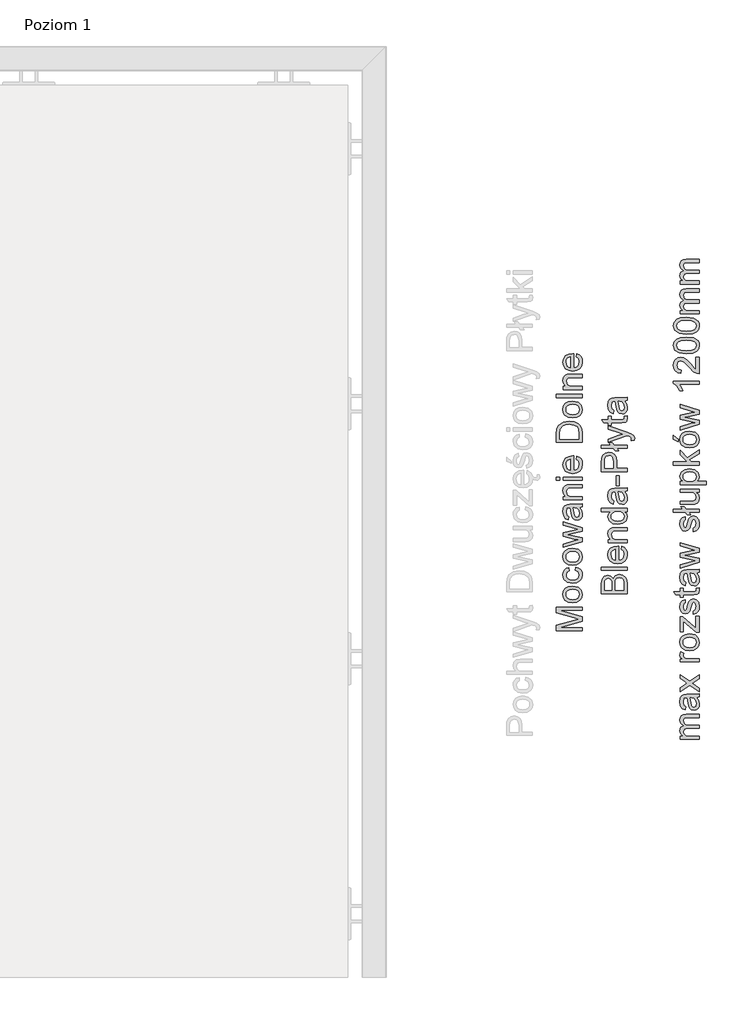
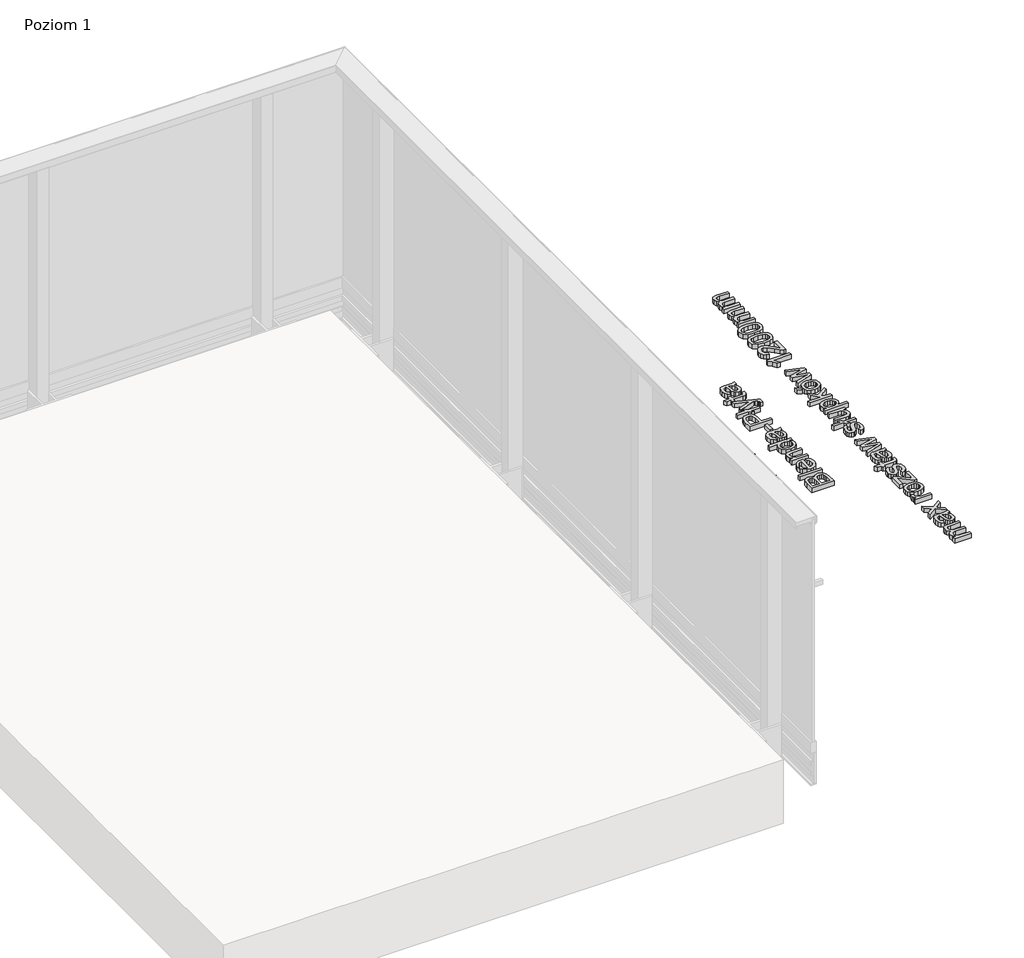
# One storey, part 26 of 35: 3 proxies.
"""IFC4 building model written with IfcOpenShell, lengths in millimetres."""

from ifc_helpers import new_model, si_unit, origin, origin_with_axes, place, context, project, spatial, polyline, outline, extrude, element, save

model = new_model("IFC4")

# Units and contexts
model_context = context("Model", 3, world=origin())
ifc_project = project(units=[si_unit("LENGTHUNIT", "METRE", prefix="MILLI")], contexts=[model_context])

# Site, building, storey
site = spatial("IfcSite", under=ifc_project)
building = spatial("IfcBuilding", under=site)
storey = spatial("IfcBuildingStorey", under=building, Name="Poziom 1", Elevation=0.0)

# Proxies
placement = place(None, origin())
element("IfcBuildingElementProxy", 1, Name="Generic Models", at=placement, inside=storey, context=model_context, shape_type="SweptSolid", body=[
    extrude(outline(polyline([(20311.0111089, -8270.0219111), (20210.5547987, -8270.0219111), (20210.5547987, -8248.4149753), (20281.3598201, -8227.8626345), (20296.1486763, -8223.7178306), (20280.1335468, -8219.2296703), (20210.5547987, -8199.020686), (20210.5547987, -8177.4137502), (20311.0111089, -8177.4137502), (20311.0111089, -8189.970789), (20223.1118375, -8189.970789), (20311.0111089, -8215.2074938), (20311.0111089, -8232.2281675), (20223.1118375, -8257.4648723), (20311.0111089, -8257.4648723), (20311.0111089, -8270.0219111)])), origin_with_axes(), (0.0, 0.0, 1.0), 20.0),
    extrude(outline(polyline([(20274.1248075, -8160.1478219), (20256.337713, -8157.4316265), (20243.8358566, -8149.2830403), (20237.7106214, -8139.2153364), (20235.6688763, -8127.1610696), (20238.1551454, -8113.9694344), (20245.6139529, -8103.432681), (20257.4566874, -8096.5256965), (20273.0947379, -8094.2233683), (20295.4374378, -8098.2945958), (20308.0803157, -8110.1526587), (20312.5807387, -8127.1610696), (20310.1036666, -8140.5121204), (20302.6724503, -8151.0366111), (20290.5813954, -8157.8700192), (20274.1248075, -8160.1478219)]), holes=[polyline([(20274.100282, -8147.5907831), (20285.46477, -8146.1376492), (20293.5612396, -8141.7782476), (20298.4080849, -8135.2176853), (20300.0237, -8127.1610696), (20298.3988878, -8119.1412421), (20293.5244514, -8112.5929426), (20285.3206829, -8108.233541), (20273.7078746, -8106.7804071), (20262.6744804, -8108.242738), (20254.6883754, -8112.6297308), (20249.8415301, -8119.1872274), (20248.225915, -8127.1610696), (20249.8353988, -8135.2176853), (20254.66385, -8141.7782476), (20262.7419254, -8146.1376492), (20274.100282, -8147.5907831)])]), origin_with_axes(), (0.0, 0.0, 1.0), 20.0),
    extrude(outline(polyline([(20284.3274015, -8033.0078043), (20285.8970314, -8020.4507656), (20297.0653156, -8023.9517759), (20305.5051417, -8030.5307322), (20310.8118395, -8039.5683666), (20312.5807387, -8050.4454109), (20310.1128637, -8063.802593), (20302.7092385, -8074.247376), (20290.6948257, -8080.9888136), (20274.3945876, -8083.2359594), (20253.5356785, -8079.3977239), (20240.1325112, -8067.6990765), (20235.6688763, -8050.6170892), (20237.2017179, -8040.0067593), (20241.8002429, -8031.5240136), (20249.2191964, -8025.4386323), (20259.213324, -8022.0203954), (20260.7829538, -8034.5774342), (20251.3774375, -8040.4022324), (20248.225915, -8050.5189873), (20249.7771508, -8058.633851), (20254.430858, -8065.0748516), (20262.4384228, -8069.2779034), (20274.0512311, -8070.6789207), (20285.8203893, -8069.3085602), (20293.8555452, -8065.1974789), (20298.4816613, -8058.8729743), (20300.0237, -8050.8623438), (20296.1732018, -8039.0288063), (20284.3274015, -8033.0078043)])), origin_with_axes(), (0.0, 0.0, 1.0), 20.0),
    extrude(outline(polyline([(20274.1248075, -8012.6026163), (20256.337713, -8009.8864209), (20243.8358566, -8001.7378348), (20237.7106214, -7991.6701308), (20235.6688763, -7979.6158641), (20238.1551454, -7966.4242289), (20245.6139529, -7955.8874754), (20257.4566874, -7948.980491), (20273.0947379, -7946.6781628), (20295.4374378, -7950.7493902), (20308.0803157, -7962.6074532), (20312.5807387, -7979.6158641), (20310.1036666, -7992.9669149), (20302.6724503, -8003.4914056), (20290.5813954, -8010.3248137), (20274.1248075, -8012.6026163)]), holes=[polyline([(20274.100282, -8000.0455776), (20285.46477, -7998.5924437), (20293.5612396, -7994.2330421), (20298.4080849, -7987.6724798), (20300.0237, -7979.6158641), (20298.3988878, -7971.5960366), (20293.5244514, -7965.0477371), (20285.3206829, -7960.6883355), (20273.7078746, -7959.2352016), (20262.6744804, -7960.6975325), (20254.6883754, -7965.0845253), (20249.8415301, -7971.6420219), (20248.225915, -7979.6158641), (20249.8353988, -7987.6724798), (20254.66385, -7994.2330421), (20262.7419254, -7998.5924437), (20274.100282, -8000.0455776)])]), origin_with_axes(), (0.0, 0.0, 1.0), 20.0),
    extrude(outline(polyline([(20311.0111089, -7920.3132865), (20237.2385061, -7942.7540882), (20237.2385061, -7929.7065401), (20280.2806996, -7916.9778231), (20295.658167, -7913.1763758), (20280.8447853, -7910.0616416), (20237.2385061, -7899.932624), (20237.2385061, -7884.9720895), (20280.722158, -7874.8921228), (20294.137588, -7872.1207451), (20279.986394, -7868.1476196), (20237.2385061, -7855.3943771), (20237.2385061, -7842.297778), (20311.0111089, -7864.910258), (20311.0111089, -7880.0915217), (20267.7481863, -7889.73003), (20254.2591798, -7892.5259331), (20311.0111089, -7904.9603446), (20311.0111089, -7920.3132865)])), origin_with_axes(), (0.0, 0.0, 1.0), 20.0),
    extrude(outline(polyline([(20301.5933298, -7786.5759185), (20310.1036666, -7798.7528126), (20312.5807387, -7812.2050308), (20311.0908167, -7822.6988648), (20306.6210504, -7830.4397151), (20299.8336276, -7835.212984), (20291.3907358, -7836.8040736), (20281.4579219, -7834.4005779), (20274.2474348, -7828.0852703), (20270.1271565, -7819.2928906), (20268.2386956, -7808.428109), (20263.9222135, -7786.6494949), (20261.1263103, -7786.5759185), (20251.8556841, -7790.0340093), (20248.225915, -7803.9154232), (20250.6416735, -7816.6196148), (20259.213324, -7822.677405), (20257.6436941, -7835.2344437), (20245.380961, -7829.8020529), (20238.1949993, -7818.863695), (20235.6688763, -7802.2967424), (20237.9006937, -7787.0786906), (20243.5047628, -7778.4825146), (20252.0273623, -7774.6320164), (20263.0147713, -7774.0188797), (20278.6374933, -7774.0188797), (20300.4528956, -7773.3812176), (20311.0111089, -7770.87962), (20311.0111089, -7783.4366588), (20301.5933298, -7786.5759185)]), holes=[polyline([(20276.4792523, -7786.5759185), (20280.3297505, -7806.8339537), (20282.3653642, -7817.6374216), (20285.6763022, -7822.5302522), (20290.507819, -7824.2470348), (20297.3013732, -7820.5069012), (20300.0237, -7809.531755), (20297.0193303, -7796.8275634), (20289.7475296, -7788.6360577), (20280.0354449, -7786.6494949), (20276.4792523, -7786.5759185)])]), origin_with_axes(), (0.0, 0.0, 1.0), 20.0),
    extrude(outline(polyline([(20311.0111089, -7756.7529514), (20237.2385061, -7756.7529514), (20237.2385061, -7744.1959127), (20247.539202, -7744.1959127), (20238.6364577, -7734.5941926), (20235.6688763, -7721.4853308), (20238.0601092, -7709.6272679), (20244.3386286, -7701.533864), (20253.5724667, -7697.7692049), (20265.7125726, -7697.1070173), (20311.0111089, -7697.1070173), (20311.0111089, -7709.6640561), (20267.4048297, -7709.6640561), (20256.2947935, -7711.1110586), (20250.4209443, -7716.2246183), (20248.225915, -7724.8453197), (20253.1555338, -7738.4692163), (20260.2985759, -7742.7642386), (20271.8684646, -7744.1959127), (20311.0111089, -7744.1959127), (20311.0111089, -7756.7529514)])), origin_with_axes(), (0.0, 0.0, 1.0), 20.0),
    extrude(outline(polyline([(20223.1118375, -7679.841089), (20210.5547987, -7679.841089), (20210.5547987, -7667.2840502), (20223.1118375, -7667.2840502), (20223.1118375, -7679.841089)])), origin_with_axes(), (0.0, 0.0, 1.0), 20.0),
    extrude(outline(polyline([(20311.0111089, -7679.841089), (20237.2385061, -7679.841089), (20237.2385061, -7667.2840502), (20311.0111089, -7667.2840502), (20311.0111089, -7679.841089)])), origin_with_axes(), (0.0, 0.0, 1.0), 20.0),
    extrude(outline(polyline([(20289.036291, -7596.7978599), (20290.6059209, -7584.4860758), (20299.8826785, -7588.9221196), (20306.8172541, -7596.0007823), (20311.1398676, -7605.5626485), (20312.5807387, -7617.4483026), (20310.0944696, -7632.1819765), (20302.6356621, -7643.5188733), (20290.6886943, -7650.7477545), (20274.7379442, -7653.1573816), (20258.2506994, -7650.7232291), (20245.9205212, -7643.4207715), (20238.2317875, -7632.2371588), (20235.6688763, -7618.1595411), (20238.2256561, -7604.5203161), (20245.8959957, -7593.621812), (20258.2016485, -7586.4757043), (20274.6643678, -7584.0936684), (20278.0488821, -7584.1672448), (20278.0488821, -7640.6003428), (20287.4482671, -7638.4267734), (20294.3583172, -7633.377593), (20298.6073543, -7626.0904638), (20300.0237, -7617.2030479), (20297.3994751, -7604.8912638), (20289.036291, -7596.7978599)]), holes=[polyline([(20265.4918434, -7640.6003428), (20265.4918434, -7596.6507071), (20254.112027, -7601.6784277), (20249.697443, -7608.9992794), (20248.225915, -7618.2085921), (20252.9225419, -7633.6718986), (20258.4131806, -7638.537138), (20265.4918434, -7640.6003428)])]), origin_with_axes(), (0.0, 0.0, 1.0), 20.0),
    extrude(outline(polyline([(20311.0111089, -7530.7262536), (20210.5547987, -7530.7262536), (20210.5547987, -7496.0717697), (20212.0018013, -7478.1436538), (20219.1877629, -7463.379323), (20236.3555893, -7451.4844718), (20260.2433936, -7447.5358718), (20280.5136915, -7450.2091476), (20295.1431322, -7457.0762782), (20304.2543429, -7466.2488026), (20309.2943262, -7478.2540184), (20311.0111089, -7494.4040379), (20311.0111089, -7530.7262536)]), holes=[polyline([(20298.4540701, -7518.1692148), (20298.4540701, -7495.9491423), (20296.6391856, -7479.78686), (20291.5133631, -7470.4671828), (20279.0421635, -7462.8275), (20260.0471898, -7460.0929105), (20246.3619796, -7461.4326141), (20236.2574875, -7465.4517249), (20225.1229257, -7478.4870103), (20223.1118375, -7496.2924988), (20223.1118375, -7518.1692148), (20298.4540701, -7518.1692148)])]), origin_with_axes(), (0.0, 0.0, 1.0), 20.0),
    extrude(outline(polyline([(20274.1248075, -7434.978833), (20256.337713, -7432.2626376), (20243.8358566, -7424.1140514), (20237.7106214, -7414.0463475), (20235.6688763, -7401.9920808), (20238.1551454, -7388.8004455), (20245.6139529, -7378.2636921), (20257.4566874, -7371.3567076), (20273.0947379, -7369.0543795), (20295.4374378, -7373.1256069), (20308.0803157, -7384.9836698), (20312.5807387, -7401.9920808), (20310.1036666, -7415.3431315), (20302.6724503, -7425.8676222), (20290.5813954, -7432.7010303), (20274.1248075, -7434.978833)]), holes=[polyline([(20274.100282, -7422.4217942), (20285.46477, -7420.9686603), (20293.5612396, -7416.6092587), (20298.4080849, -7410.0486964), (20300.0237, -7401.9920808), (20298.3988878, -7393.9722533), (20293.5244514, -7387.4239537), (20285.3206829, -7383.0645521), (20273.7078746, -7381.6114182), (20262.6744804, -7383.0737492), (20254.6883754, -7387.4607419), (20249.8415301, -7394.0182385), (20248.225915, -7401.9920808), (20249.8353988, -7410.0486964), (20254.66385, -7416.6092587), (20262.7419254, -7420.9686603), (20274.100282, -7422.4217942)])]), origin_with_axes(), (0.0, 0.0, 1.0), 20.0),
    extrude(outline(polyline([(20311.0111089, -7354.9277108), (20210.5547987, -7354.9277108), (20210.5547987, -7342.3706721), (20311.0111089, -7342.3706721), (20311.0111089, -7354.9277108)])), origin_with_axes(), (0.0, 0.0, 1.0), 20.0),
    extrude(outline(polyline([(20311.0111089, -7323.5351139), (20237.2385061, -7323.5351139), (20237.2385061, -7310.9780751), (20247.539202, -7310.9780751), (20238.6364577, -7301.3763551), (20235.6688763, -7288.2674933), (20238.0601092, -7276.4094303), (20244.3386286, -7268.3160264), (20253.5724667, -7264.5513674), (20265.7125726, -7263.8891798), (20311.0111089, -7263.8891798), (20311.0111089, -7276.4462185), (20267.4048297, -7276.4462185), (20256.2947935, -7277.893221), (20250.4209443, -7283.0067808), (20248.225915, -7291.6274822), (20253.1555338, -7305.2513788), (20260.2985759, -7309.546401), (20271.8684646, -7310.9780751), (20311.0111089, -7310.9780751), (20311.0111089, -7323.5351139)])), origin_with_axes(), (0.0, 0.0, 1.0), 20.0),
    extrude(outline(polyline([(20289.036291, -7194.9726193), (20290.6059209, -7182.6608352), (20299.8826785, -7187.096879), (20306.8172541, -7194.1755417), (20311.1398676, -7203.7374079), (20312.5807387, -7215.623062), (20310.0944696, -7230.3567359), (20302.6356621, -7241.6936327), (20290.6886943, -7248.9225139), (20274.7379442, -7251.332141), (20258.2506994, -7248.8979885), (20245.9205212, -7241.5955309), (20238.2317875, -7230.4119182), (20235.6688763, -7216.3343005), (20238.2256561, -7202.6950755), (20245.8959957, -7191.7965714), (20258.2016485, -7184.6504637), (20274.6643678, -7182.2684278), (20278.0488821, -7182.3420042), (20278.0488821, -7238.7751022), (20287.4482671, -7236.6015328), (20294.3583172, -7231.5523524), (20298.6073543, -7224.2652232), (20300.0237, -7215.3778073), (20297.3994751, -7203.0660232), (20289.036291, -7194.9726193)]), holes=[polyline([(20265.4918434, -7238.7751022), (20265.4918434, -7194.8254665), (20254.112027, -7199.8531871), (20249.697443, -7207.1740388), (20248.225915, -7216.3833515), (20252.9225419, -7231.846658), (20258.4131806, -7236.7118974), (20265.4918434, -7238.7751022)])]), origin_with_axes(), (0.0, 0.0, 1.0), 20.0),
])
element("IfcBuildingElementProxy", 2, Name="Generic Models", at=placement, inside=storey, context=model_context, shape_type="SweptSolid", body=[
    extrude(outline(polyline([(20487.3598268, -8124.2917723), (20386.9035167, -8124.2917723), (20386.9035167, -8085.9584684), (20389.8588354, -8067.184224), (20398.9455207, -8056.0987132), (20411.796865, -8052.0887994), (20423.5323007, -8055.461051), (20432.4227822, -8065.6513823), (20441.7915104, -8053.2782845), (20457.4142324, -8048.9495397), (20470.9155017, -8051.9048584), (20480.5294845, -8059.2257101), (20485.6307815, -8070.1518054), (20487.3598268, -8086.252774), (20487.3598268, -8124.2917723)]), holes=[polyline([(20427.7138927, -8111.7347336), (20427.7138927, -8088.8034225), (20426.6347722, -8075.4125179), (20421.9871963, -8067.3559022), (20413.8079533, -8064.6458382), (20405.6164475, -8067.1719612), (20400.7726679, -8074.4069738), (20399.4605555, -8090.5447307), (20399.4605555, -8111.7347336), (20427.7138927, -8111.7347336)]), polyline([(20474.8027881, -8111.7347336), (20474.8027881, -8085.9829939), (20474.3122788, -8076.6633167), (20471.5776893, -8068.7783793), (20465.9981457, -8063.5544549), (20457.5368598, -8061.5065785), (20447.7757242, -8063.9100742), (20441.9509259, -8071.6969098), (20440.2709315, -8087.2092672), (20440.2709315, -8111.7347336), (20474.8027881, -8111.7347336)])]), origin_with_axes(), (0.0, 0.0, 1.0), 20.0),
    extrude(outline(polyline([(20487.3598268, -8033.2532413), (20386.9035167, -8033.2532413), (20386.9035167, -8020.6962025), (20487.3598268, -8020.6962025), (20487.3598268, -8033.2532413)])), origin_with_axes(), (0.0, 0.0, 1.0), 20.0),
    extrude(outline(polyline([(20465.385009, -7950.2100122), (20466.9546388, -7937.8982281), (20476.2313965, -7942.3342718), (20483.1659721, -7949.4129346), (20487.4885855, -7958.9748008), (20488.9294567, -7970.8604549), (20486.4431875, -7985.5941288), (20478.9843801, -7996.9310256), (20467.0374123, -8004.1599068), (20451.0866621, -8006.5695339), (20434.5994174, -8004.1353814), (20422.2692392, -7996.8329237), (20414.5805055, -7985.6493111), (20412.0175942, -7971.5716934), (20414.5743741, -7957.9324684), (20422.2447137, -7947.0339643), (20434.5503664, -7939.8878566), (20451.0130857, -7937.5058207), (20454.3976001, -7937.5793971), (20454.3976001, -7994.0124951), (20463.7969851, -7991.8389257), (20470.7070352, -7986.7897453), (20474.9560722, -7979.5026161), (20476.3724179, -7970.6152002), (20473.748193, -7958.3034161), (20465.385009, -7950.2100122)]), holes=[polyline([(20441.8405613, -7994.0124951), (20441.8405613, -7950.0628594), (20430.4607449, -7955.09058), (20426.046161, -7962.4114317), (20424.574633, -7971.6207443), (20429.2712598, -7987.0840509), (20434.7618986, -7991.9492903), (20441.8405613, -7994.0124951)])]), origin_with_axes(), (0.0, 0.0, 1.0), 20.0),
    extrude(outline(polyline([(20487.3598268, -7924.9487819), (20413.5872241, -7924.9487819), (20413.5872241, -7912.3917431), (20423.8879199, -7912.3917431), (20414.9851757, -7902.790023), (20412.0175942, -7889.6811613), (20414.4088272, -7877.8230983), (20420.6873466, -7869.7296944), (20429.9211847, -7865.9650353), (20442.0612905, -7865.3028477), (20487.3598268, -7865.3028477), (20487.3598268, -7877.8598865), (20443.7535477, -7877.8598865), (20432.6435114, -7879.306889), (20426.7696622, -7884.4204488), (20424.574633, -7893.0411502), (20429.5042517, -7906.6650467), (20436.6472938, -7910.960069), (20448.2171826, -7912.3917431), (20487.3598268, -7912.3917431), (20487.3598268, -7924.9487819)])), origin_with_axes(), (0.0, 0.0, 1.0), 20.0),
    extrude(outline(polyline([(20487.3598268, -7802.5176539), (20475.5140266, -7802.5176539), (20485.5755992, -7810.8256556), (20488.9294567, -7822.3097052), (20484.0734144, -7837.8588509), (20470.5230942, -7848.8462598), (20450.5471019, -7852.745809), (20430.5588468, -7849.1528282), (20416.8000602, -7838.3861484), (20412.0175942, -7822.3587562), (20415.4388968, -7810.7827361), (20424.3293783, -7802.5176539), (20386.9035167, -7802.5176539), (20386.9035167, -7789.9606151), (20487.3598268, -7789.9606151), (20487.3598268, -7802.5176539)]), holes=[polyline([(20450.4980509, -7840.1887702), (20461.8564075, -7838.7724245), (20469.934483, -7834.5233875), (20474.7629342, -7828.3491013), (20476.3724179, -7821.1570083), (20474.8365106, -7813.967981), (20470.2287886, -7807.9500447), (20462.4634128, -7803.8757516), (20451.4545441, -7802.5176539), (20439.4186715, -7803.9002771), (20431.0738816, -7808.0481466), (20426.1994452, -7814.219367), (20424.574633, -7821.6720431), (20426.1350658, -7828.9377125), (20430.8163642, -7834.8912695), (20438.8576515, -7838.864395), (20450.4980509, -7840.1887702)])]), origin_with_axes(), (0.0, 0.0, 1.0), 20.0),
    extrude(outline(polyline([(20477.9420478, -7724.0361616), (20486.4523846, -7736.2130556), (20488.9294567, -7749.6652739), (20487.4395346, -7760.1591078), (20482.9697684, -7767.8999581), (20476.1823456, -7772.673227), (20467.7394538, -7774.2643167), (20457.8066399, -7771.860821), (20450.5961528, -7765.5455134), (20446.4758745, -7756.7531337), (20444.5874135, -7745.8883521), (20440.2709315, -7724.109738), (20437.4750283, -7724.0361616), (20428.204402, -7727.4942523), (20424.574633, -7741.3756663), (20426.9903914, -7754.0798579), (20435.5620419, -7760.1376481), (20433.9924121, -7772.6946868), (20421.7296789, -7767.262296), (20414.5437173, -7756.323938), (20412.0175942, -7739.7569855), (20414.2494117, -7724.5389337), (20419.8534807, -7715.9427577), (20428.3760803, -7712.0922595), (20439.3634892, -7711.4791228), (20454.9862113, -7711.4791228), (20476.8016136, -7710.8414607), (20487.3598268, -7708.3398631), (20487.3598268, -7720.8969019), (20477.9420478, -7724.0361616)]), holes=[polyline([(20452.8279702, -7724.0361616), (20456.6784685, -7744.2941968), (20458.7140822, -7755.0976647), (20462.0250201, -7759.9904953), (20466.856537, -7761.7072779), (20473.6500912, -7757.9671443), (20476.3724179, -7746.9919981), (20473.3680483, -7734.2878065), (20466.0962475, -7726.0963008), (20456.3841629, -7724.109738), (20452.8279702, -7724.0361616)])]), origin_with_axes(), (0.0, 0.0, 1.0), 20.0),
    extrude(outline(polyline([(20457.5368598, -7700.4917139), (20444.979821, -7700.4917139), (20444.979821, -7661.2509677), (20457.5368598, -7661.2509677), (20457.5368598, -7700.4917139)])), origin_with_axes(), (0.0, 0.0, 1.0), 20.0),
    extrude(outline(polyline([(20487.3598268, -7645.5546693), (20386.9035167, -7645.5546693), (20386.9035167, -7608.3250114), (20387.8600099, -7593.315426), (20392.5566367, -7581.1140065), (20402.2687214, -7573.2045436), (20415.9661943, -7570.2124367), (20427.8058632, -7572.232722), (20437.671232, -7578.2935778), (20444.3298961, -7589.627409), (20446.5494509, -7607.4666201), (20446.5494509, -7632.9976305), (20487.3598268, -7632.9976305), (20487.3598268, -7645.5546693)]), holes=[polyline([(20433.9924121, -7632.9976305), (20433.9924121, -7606.7308561), (20429.3816244, -7588.2386544), (20423.8327376, -7584.1367702), (20416.4076527, -7582.7694754), (20406.008855, -7585.9945743), (20400.3189468, -7594.4681229), (20399.4605555, -7607.0251617), (20399.4605555, -7632.9976305), (20433.9924121, -7632.9976305)])]), origin_with_axes(), (0.0, 0.0, 1.0), 20.0),
    extrude(outline(polyline([(20447.6530968, -7554.5161382), (20455.182415, -7563.9339173), (20441.0557464, -7563.9339173), (20433.5264282, -7554.5161382), (20386.9035167, -7554.5161382), (20386.9035167, -7541.9590994), (20423.470987, -7541.9590994), (20415.9416689, -7532.5413204), (20430.0683375, -7532.5413204), (20437.5976556, -7541.9590994), (20487.3598268, -7541.9590994), (20487.3598268, -7554.5161382), (20447.6530968, -7554.5161382)])), origin_with_axes(), (0.0, 0.0, 1.0), 20.0),
    extrude(outline(polyline([(20515.6131641, -7523.1235413), (20503.5221092, -7524.6931711), (20504.6257552, -7518.3165499), (20503.2400663, -7512.3568616), (20499.3773054, -7508.7025671), (20490.1312045, -7505.2690018), (20487.0900467, -7504.2879831), (20413.5872241, -7530.9716905), (20413.5872241, -7517.7279387), (20454.5447529, -7503.5767446), (20470.9277644, -7498.6471259), (20456.4577393, -7493.7175071), (20413.5872241, -7479.1739056), (20413.5872241, -7466.0282556), (20489.1256604, -7491.7064189), (20505.5086719, -7498.3773458), (20514.3623653, -7505.6614093), (20517.1827939, -7515.4470703), (20515.6131641, -7523.1235413)])), origin_with_axes(), (0.0, 0.0, 1.0), 20.0),
    extrude(outline(polyline([(20476.8874527, -7428.9457505), (20487.7277088, -7427.3761207), (20488.9294567, -7436.7693743), (20486.8447921, -7447.2907994), (20481.3756131, -7452.5392492), (20467.1263171, -7454.0598281), (20426.1442629, -7454.0598281), (20426.1442629, -7463.4776071), (20413.5872241, -7463.4776071), (20413.5872241, -7454.0598281), (20395.6591082, -7454.0598281), (20388.2769428, -7441.5027893), (20413.5872241, -7441.5027893), (20413.5872241, -7428.9457505), (20426.1442629, -7428.9457505), (20426.1442629, -7441.5027893), (20466.7584351, -7441.5027893), (20473.2331582, -7440.8406017), (20475.5262893, -7438.6946234), (20476.3724179, -7434.4149295), (20476.8874527, -7428.9457505)])), origin_with_axes(), (0.0, 0.0, 1.0), 20.0),
    extrude(outline(polyline([(20477.9420478, -7369.2998164), (20486.4523846, -7381.4767104), (20488.9294567, -7394.9289287), (20487.4395346, -7405.4227626), (20482.9697684, -7413.1636129), (20476.1823456, -7417.9368818), (20467.7394538, -7419.5279715), (20457.8066399, -7417.1244757), (20450.5961528, -7410.8091682), (20446.4758745, -7402.0167885), (20444.5874135, -7391.1520069), (20440.2709315, -7369.3733928), (20437.4750283, -7369.2998164), (20428.204402, -7372.7579071), (20424.574633, -7386.6393211), (20426.9903914, -7399.3435126), (20435.5620419, -7405.4013028), (20433.9924121, -7417.9583416), (20421.7296789, -7412.5259508), (20414.5437173, -7401.5875928), (20412.0175942, -7385.0206403), (20414.2494117, -7369.8025884), (20419.8534807, -7361.2064125), (20428.3760803, -7357.3559143), (20439.3634892, -7356.7427776), (20454.9862113, -7356.7427776), (20476.8016136, -7356.1051155), (20487.3598268, -7353.6035179), (20487.3598268, -7366.1605567), (20477.9420478, -7369.2998164)]), holes=[polyline([(20452.8279702, -7369.2998164), (20456.6784685, -7389.5578516), (20458.7140822, -7400.3613195), (20462.0250201, -7405.25415), (20466.856537, -7406.9709327), (20473.6500912, -7403.2307991), (20476.3724179, -7392.2556529), (20473.3680483, -7379.5514613), (20466.0962475, -7371.3599555), (20456.3841629, -7369.3733928), (20452.8279702, -7369.2998164)])]), origin_with_axes(), (0.0, 0.0, 1.0), 20.0),
])
element("IfcBuildingElementProxy", 3, Name="Generic Models", at=placement, inside=storey, context=model_context, shape_type="SweptSolid", body=[
    extrude(outline(polyline([(20769.7173752, -8695.0976583), (20695.9447724, -8695.0976583), (20695.9447724, -8682.5406196), (20708.0848783, -8682.5406196), (20698.1398017, -8673.9076554), (20694.3751426, -8661.6203968), (20698.2133781, -8649.0388325), (20708.9677951, -8642.122651), (20698.0233057, -8632.3247272), (20694.3751426, -8619.9516294), (20695.8926558, -8610.5123906), (20700.4451955, -8603.5318297), (20708.155389, -8599.2184133), (20719.1458636, -8597.7806079), (20769.7173752, -8597.7806079), (20769.7173752, -8610.3376466), (20724.5414662, -8610.3376466), (20714.0568293, -8611.5026063), (20708.8942187, -8615.7209865), (20706.9321813, -8622.8946854), (20711.959902, -8635.2432577), (20718.5020701, -8638.9312747), (20728.0731333, -8640.1606137), (20769.7173752, -8640.1606137), (20769.7173752, -8652.7176525), (20723.1435146, -8652.7176525), (20710.9788833, -8655.6239202), (20706.9321813, -8665.1520639), (20709.6299826, -8674.4472157), (20717.5271828, -8680.6276332), (20732.5122427, -8682.5406196), (20769.7173752, -8682.5406196), (20769.7173752, -8695.0976583)])), origin_with_axes(), (0.0, 0.0, 1.0), 20.0),
    extrude(outline(polyline([(20760.2995961, -8531.8561543), (20768.8099329, -8544.0330484), (20771.287005, -8557.4852667), (20769.797083, -8567.9791006), (20765.3273167, -8575.7199509), (20758.5398939, -8580.4932198), (20750.0970021, -8582.0843094), (20740.1641882, -8579.6808137), (20732.9537011, -8573.3655061), (20728.8334228, -8564.5731264), (20726.9449619, -8553.7083448), (20722.6284798, -8531.9297307), (20719.8325766, -8531.8561543), (20710.5619504, -8535.3142451), (20706.9321813, -8549.195659), (20709.3479398, -8561.8998506), (20717.9195903, -8567.9576408), (20716.3499604, -8580.5146796), (20704.0872273, -8575.0822888), (20696.9012656, -8564.1439308), (20694.3751426, -8547.5769783), (20696.60696, -8532.3589264), (20702.2110291, -8523.7627504), (20710.7336286, -8519.9122522), (20721.7210376, -8519.2991156), (20737.3437596, -8519.2991156), (20759.1591619, -8518.6614534), (20769.7173752, -8516.1598559), (20769.7173752, -8528.7168946), (20760.2995961, -8531.8561543)]), holes=[polyline([(20735.1855186, -8531.8561543), (20739.0360168, -8552.1141895), (20741.0716305, -8562.9176575), (20744.3825685, -8567.810488), (20749.2140853, -8569.5272706), (20756.0076395, -8565.787137), (20758.7299663, -8554.8119908), (20755.7255966, -8542.1077993), (20748.4537959, -8533.9162935), (20738.7417112, -8531.9297307), (20735.1855186, -8531.8561543)])]), origin_with_axes(), (0.0, 0.0, 1.0), 20.0),
    extrude(outline(polyline([(20769.7173752, -8509.8813365), (20732.6348701, -8483.0504763), (20695.9447724, -8508.3117066), (20695.9447724, -8493.2040194), (20713.6031082, -8481.0148626), (20721.9417668, -8475.3249544), (20715.1236871, -8470.3953357), (20695.9447724, -8456.5139217), (20695.9447724, -8441.4062344), (20732.6348701, -8467.942789), (20769.7173752, -8442.3872531), (20769.7173752, -8457.4949404), (20747.4237263, -8472.8724078), (20743.3524989, -8475.6928364), (20769.7173752, -8494.7736492), (20769.7173752, -8509.8813365)])), origin_with_axes(), (0.0, 0.0, 1.0), 20.0),
    extrude(outline(polyline([(20769.7173752, -8392.159098), (20695.9447724, -8392.159098), (20695.9447724, -8381.1716891), (20706.858605, -8381.1716891), (20696.8031637, -8373.3725908), (20694.3751426, -8365.5244416), (20698.2501663, -8352.9183519), (20709.5073553, -8357.1122066), (20706.9321813, -8365.9413745), (20709.4092535, -8373.041497), (20716.276384, -8377.5664456), (20730.9426129, -8379.6020593), (20769.7173752, -8379.6020593), (20769.7173752, -8392.159098)])), origin_with_axes(), (0.0, 0.0, 1.0), 20.0),
    extrude(outline(polyline([(20732.8310738, -8348.2094623), (20715.0439793, -8345.4932669), (20702.5421229, -8337.3446807), (20696.4168877, -8327.2769768), (20694.3751426, -8315.2227101), (20696.8614117, -8302.0310749), (20704.3202192, -8291.4943214), (20716.1629537, -8284.587337), (20731.8010042, -8282.2850088), (20754.1437041, -8286.3562362), (20766.786582, -8298.2142992), (20771.287005, -8315.2227101), (20768.8099329, -8328.5737608), (20761.3787166, -8339.0982516), (20749.2876617, -8345.9316596), (20732.8310738, -8348.2094623)]), holes=[polyline([(20732.8065483, -8335.6524236), (20744.1710363, -8334.1992897), (20752.2675059, -8329.839888), (20757.1143512, -8323.2793258), (20758.7299663, -8315.2227101), (20757.1051541, -8307.2028826), (20752.2307177, -8300.6545831), (20744.0269492, -8296.2951815), (20732.4141409, -8294.8420476), (20721.3807467, -8296.3043785), (20713.3946417, -8300.6913713), (20708.5477964, -8307.2488679), (20706.9321813, -8315.2227101), (20708.5416651, -8323.2793258), (20713.3701163, -8329.839888), (20721.4481917, -8334.1992897), (20732.8065483, -8335.6524236)])]), origin_with_axes(), (0.0, 0.0, 1.0), 20.0),
    extrude(outline(polyline([(20769.7173752, -8276.0064894), (20757.8961004, -8276.0064894), (20708.5018112, -8232.6699904), (20708.5018112, -8245.4968093), (20708.5018112, -8272.8672297), (20695.9447724, -8272.8672297), (20695.9447724, -8214.7909254), (20706.6133503, -8214.7909254), (20750.4403586, -8253.2223312), (20757.1603364, -8259.1084431), (20757.1603364, -8244.589367), (20757.1603364, -8213.2212956), (20769.7173752, -8213.2212956), (20769.7173752, -8276.0064894)])), origin_with_axes(), (0.0, 0.0, 1.0), 20.0),
    extrude(outline(polyline([(20747.7425573, -8205.3731463), (20746.1729275, -8192.8161076), (20755.4926047, -8187.003572), (20758.7299663, -8173.6862438), (20755.7623848, -8160.8839504), (20748.7971524, -8156.7146211), (20743.1562951, -8160.9084759), (20739.5755771, -8173.8333966), (20733.4319477, -8192.7425312), (20726.2582488, -8200.9953506), (20716.1292312, -8203.8035165), (20706.7727658, -8201.5471736), (20699.6235924, -8195.3912815), (20695.9079842, -8187.4082422), (20694.3751426, -8176.6047743), (20696.8399519, -8161.3254088), (20703.5108788, -8151.6133241), (20714.7803306, -8147.296842), (20716.3499604, -8159.8538808), (20709.4215162, -8164.5750331), (20706.9321813, -8175.6237557), (20709.3111516, -8187.6412342), (20714.853907, -8191.2464777), (20718.5082015, -8189.7504243), (20721.2795792, -8185.0660602), (20723.952855, -8174.2503296), (20729.8634924, -8155.8194416), (20736.5589447, -8147.2600538), (20747.4727772, -8144.1575823), (20759.4902557, -8147.7996141), (20768.209059, -8158.3087764), (20771.287005, -8173.8579221), (20769.8032143, -8186.5191941), (20765.3518422, -8195.7591635), (20757.9819395, -8201.9273183), (20747.7425573, -8205.3731463)])), origin_with_axes(), (0.0, 0.0, 1.0), 20.0),
    extrude(outline(polyline([(20759.2450011, -8103.3472063), (20770.0852572, -8101.7775765), (20771.287005, -8111.1708301), (20769.2023404, -8121.6922552), (20763.7331614, -8126.940705), (20749.4838655, -8128.4612839), (20708.5018112, -8128.4612839), (20708.5018112, -8137.879063), (20695.9447724, -8137.879063), (20695.9447724, -8128.4612839), (20678.0166565, -8128.4612839), (20670.6344912, -8115.9042451), (20695.9447724, -8115.9042451), (20695.9447724, -8103.3472063), (20708.5018112, -8103.3472063), (20708.5018112, -8115.9042451), (20749.1159835, -8115.9042451), (20755.5907066, -8115.2420575), (20757.8838377, -8113.0960792), (20758.7299663, -8108.8163853), (20759.2450011, -8103.3472063)])), origin_with_axes(), (0.0, 0.0, 1.0), 20.0),
    extrude(outline(polyline([(20760.2995961, -8043.7012722), (20768.8099329, -8055.8781662), (20771.287005, -8069.3303845), (20769.797083, -8079.8242184), (20765.3273167, -8087.5650688), (20758.5398939, -8092.3383376), (20750.0970021, -8093.9294273), (20740.1641882, -8091.5259316), (20732.9537011, -8085.210624), (20728.8334228, -8076.4182443), (20726.9449619, -8065.5534627), (20722.6284798, -8043.7748486), (20719.8325766, -8043.7012722), (20710.5619504, -8047.1593629), (20706.9321813, -8061.0407769), (20709.3479398, -8073.7449685), (20717.9195903, -8079.8027587), (20716.3499604, -8092.3597974), (20704.0872273, -8086.9274066), (20696.9012656, -8075.9890486), (20694.3751426, -8059.4220961), (20696.60696, -8044.2040443), (20702.2110291, -8035.6078683), (20710.7336286, -8031.7573701), (20721.7210376, -8031.1442334), (20737.3437596, -8031.1442334), (20759.1591619, -8030.5065713), (20769.7173752, -8028.0049737), (20769.7173752, -8040.5620125), (20760.2995961, -8043.7012722)]), holes=[polyline([(20735.1855186, -8043.7012722), (20739.0360168, -8063.9593074), (20741.0716305, -8074.7627753), (20744.3825685, -8079.6556059), (20749.2140853, -8081.3723885), (20756.0076395, -8077.6322549), (20758.7299663, -8066.6571087), (20755.7255966, -8053.9529171), (20748.4537959, -8045.7614114), (20738.7417112, -8043.7748486), (20735.1855186, -8043.7012722)])]), origin_with_axes(), (0.0, 0.0, 1.0), 20.0),
    extrude(outline(polyline([(20769.7173752, -8001.6400974), (20695.9447724, -8024.0808991), (20695.9447724, -8011.033351), (20738.9869659, -7998.304634), (20754.3644333, -7994.5031867), (20739.5510516, -7991.3884525), (20695.9447724, -7981.2594349), (20695.9447724, -7966.2989004), (20739.4284243, -7956.2189337), (20752.8438543, -7953.447556), (20738.6926603, -7949.4744305), (20695.9447724, -7936.721188), (20695.9447724, -7923.624589), (20769.7173752, -7946.2370689), (20769.7173752, -7961.4183326), (20726.4544526, -7971.0568409), (20712.9654461, -7973.852744), (20769.7173752, -7986.2871555), (20769.7173752, -8001.6400974)])), origin_with_axes(), (0.0, 0.0, 1.0), 20.0),
    extrude(outline(polyline([(20747.7425573, -7880.4597682), (20746.1729275, -7867.9027294), (20755.4926047, -7862.0901939), (20758.7299663, -7848.7728657), (20755.7623848, -7835.9705723), (20748.7971524, -7831.801243), (20743.1562951, -7835.9950977), (20739.5755771, -7848.9200185), (20733.4319477, -7867.829153), (20726.2582488, -7876.0819725), (20716.1292312, -7878.8901384), (20706.7727658, -7876.6337955), (20699.6235924, -7870.4779034), (20695.9079842, -7862.4948641), (20694.3751426, -7851.6913962), (20696.8399519, -7836.4120306), (20703.5108788, -7826.699946), (20714.7803306, -7822.3834639), (20716.3499604, -7834.9405027), (20709.4215162, -7839.6616549), (20706.9321813, -7850.7103775), (20709.3111516, -7862.727856), (20714.853907, -7866.3330996), (20718.5082015, -7864.8370461), (20721.2795792, -7860.1526821), (20723.952855, -7849.3369514), (20729.8634924, -7830.9060635), (20736.5589447, -7822.3466757), (20747.4727772, -7819.2442042), (20759.4902557, -7822.886236), (20768.209059, -7833.3953983), (20771.287005, -7848.9445439), (20769.8032143, -7861.6058159), (20765.3518422, -7870.8457854), (20757.9819395, -7877.0139402), (20747.7425573, -7880.4597682)])), origin_with_axes(), (0.0, 0.0, 1.0), 20.0),
    extrude(outline(polyline([(20730.0106452, -7805.1175356), (20737.5399633, -7814.5353147), (20723.4132947, -7814.5353147), (20715.8839766, -7805.1175356), (20669.261065, -7805.1175356), (20669.261065, -7792.5604968), (20705.8285354, -7792.5604968), (20698.2992172, -7783.1427177), (20712.4258858, -7783.1427177), (20719.955204, -7792.5604968), (20769.7173752, -7792.5604968), (20769.7173752, -7805.1175356), (20730.0106452, -7805.1175356)])), origin_with_axes(), (0.0, 0.0, 1.0), 20.0),
    extrude(outline(polyline([(20769.7173752, -7726.6360433), (20757.0377091, -7726.6360433), (20767.7246811, -7736.4707553), (20771.287005, -7749.2975742), (20768.7854075, -7761.1065862), (20762.5068881, -7769.2490411), (20753.2607873, -7772.9891747), (20741.5866653, -7773.7249387), (20695.9447724, -7773.7249387), (20695.9447724, -7761.1678999), (20735.6760279, -7761.1678999), (20748.4783213, -7760.4076104), (20755.9953768, -7755.4412035), (20758.7299663, -7746.0847381), (20755.9340631, -7735.6001012), (20748.3189058, -7728.671657), (20734.3271273, -7726.6360433), (20695.9447724, -7726.6360433), (20695.9447724, -7714.0790045), (20769.7173752, -7714.0790045), (20769.7173752, -7726.6360433)])), origin_with_axes(), (0.0, 0.0, 1.0), 20.0),
    extrude(outline(polyline([(20797.9707124, -7696.8130762), (20695.9447724, -7696.8130762), (20695.9447724, -7684.2560374), (20708.2565565, -7684.2560374), (20697.8454961, -7675.5740224), (20694.3751426, -7663.8508494), (20699.2311849, -7647.9338218), (20712.9163951, -7637.5350241), (20732.2669881, -7634.0278824), (20752.6108624, -7637.9887452), (20766.4677509, -7649.4911889), (20771.287005, -7665.3714284), (20768.0619062, -7676.2975236), (20759.9071887, -7684.2560374), (20797.9707124, -7684.2560374), (20797.9707124, -7696.8130762)]), holes=[polyline([(20733.419685, -7684.2560374), (20744.6768741, -7682.8979397), (20752.5495488, -7678.8236466), (20757.1848619, -7672.8118417), (20758.7299663, -7665.6412085), (20757.1296796, -7658.3540793), (20752.3288196, -7652.1889902), (20744.1679706, -7647.9859384), (20732.4877173, -7646.5849211), (20721.2918419, -7647.9522159), (20713.3088026, -7652.0541001), (20708.5263367, -7658.056708), (20706.9321813, -7665.1261737), (20708.6275042, -7672.2232305), (20713.7134728, -7678.4557647), (20722.0306716, -7682.8059692), (20733.419685, -7684.2560374)])]), origin_with_axes(), (0.0, 0.0, 1.0), 20.0),
    extrude(outline(polyline([(20769.7173752, -7619.9012138), (20669.261065, -7619.9012138), (20669.261065, -7607.344175), (20723.2416165, -7607.344175), (20695.9447724, -7579.1889396), (20695.9447724, -7561.8249094), (20723.584973, -7590.3235013), (20769.7173752, -7560.2552796), (20769.7173752, -7574.9215085), (20732.316039, -7599.3243475), (20740.0906118, -7607.344175), (20769.7173752, -7607.344175), (20769.7173752, -7619.9012138)])), origin_with_axes(), (0.0, 0.0, 1.0), 20.0),
    extrude(outline(polyline([(20732.8310738, -7552.4071304), (20715.0439793, -7549.690935), (20702.5421229, -7541.5423488), (20696.4168877, -7531.4746448), (20694.3751426, -7519.4203781), (20696.8614117, -7506.2287429), (20704.3202192, -7495.6919894), (20716.1629537, -7488.785005), (20731.8010042, -7486.4826768), (20754.1437041, -7490.5539042), (20766.786582, -7502.4119672), (20771.287005, -7519.4203781), (20768.8099329, -7532.7714289), (20761.3787166, -7543.2959196), (20749.2876617, -7550.1293277), (20732.8310738, -7552.4071304)]), holes=[polyline([(20732.8065483, -7539.8500916), (20744.1710363, -7538.3969577), (20752.2675059, -7534.0375561), (20757.1143512, -7527.4769938), (20758.7299663, -7519.4203781), (20757.1051541, -7511.4005506), (20752.2307177, -7504.8522511), (20744.0269492, -7500.4928495), (20732.4141409, -7499.0397156), (20721.3807467, -7500.5020465), (20713.3946417, -7504.8890393), (20708.5477964, -7511.4465359), (20706.9321813, -7519.4203781), (20708.5416651, -7527.4769938), (20713.3701163, -7534.0375561), (20721.4481917, -7538.3969577), (20732.8065483, -7539.8500916)])]), origin_with_axes(), (0.0, 0.0, 1.0), 20.0),
    extrude(outline(polyline([(20688.0966232, -7528.8626827), (20669.261065, -7519.4449036), (20669.261065, -7503.7486051), (20688.0966232, -7519.4449036), (20688.0966232, -7528.8626827)])), origin_with_axes(), (0.0, 0.0, 1.0), 20.0),
    extrude(outline(polyline([(20769.7173752, -7460.1178005), (20695.9447724, -7482.5586022), (20695.9447724, -7469.5110541), (20738.9869659, -7456.7823371), (20754.3644333, -7452.9808898), (20739.5510516, -7449.8661556), (20695.9447724, -7439.737138), (20695.9447724, -7424.7766035), (20739.4284243, -7414.6966368), (20752.8438543, -7411.9252591), (20738.6926603, -7407.9521336), (20695.9447724, -7395.1988911), (20695.9447724, -7382.1022921), (20769.7173752, -7404.714772), (20769.7173752, -7419.8960357), (20726.4544526, -7429.534544), (20712.9654461, -7432.3304471), (20769.7173752, -7444.7648586), (20769.7173752, -7460.1178005)])), origin_with_axes(), (0.0, 0.0, 1.0), 20.0),
    extrude(outline(polyline([(20769.7173752, -7290.2789461), (20769.7173752, -7302.8359848), (20691.4320866, -7302.8359848), (20699.9056352, -7314.730836), (20706.2454683, -7327.9500624), (20694.3751426, -7327.9500624), (20682.6274442, -7309.5436999), (20669.261065, -7298.37235), (20669.261065, -7290.2789461), (20769.7173752, -7290.2789461)])), origin_with_axes(), (0.0, 0.0, 1.0), 20.0),
    extrude(outline(polyline([(20757.1603364, -7196.1011553), (20769.7173752, -7196.1011553), (20769.7173752, -7262.0256088), (20761.0598856, -7260.6767082), (20747.7302946, -7253.0492882), (20733.1744303, -7237.3284642), (20712.2542075, -7215.647952), (20698.0294371, -7210.2278239), (20686.5147306, -7215.3413837), (20681.8181038, -7228.6955001), (20686.404366, -7242.6137022), (20699.0840321, -7247.8989402), (20697.5144023, -7260.455979), (20685.3681651, -7257.4117555), (20676.4960776, -7250.8297335), (20671.0698182, -7241.0532694), (20669.261065, -7228.42572), (20671.2721533, -7215.7062), (20677.305418, -7205.94813), (20686.3185269, -7199.7401214), (20697.2691476, -7197.6707852), (20709.1762615, -7199.9026026), (20721.4880456, -7207.3215562), (20738.6926603, -7225.3109857), (20750.7714524, -7239.7564854), (20757.1603364, -7245.4218681), (20757.1603364, -7196.1011553)])), origin_with_axes(), (0.0, 0.0, 1.0), 20.0),
    extrude(outline(polyline([(20720.2985605, -7183.5441165), (20691.3952984, -7179.8530339), (20674.730244, -7168.8901504), (20669.261065, -7150.5818898), (20672.4984266, -7135.9156609), (20681.8303665, -7125.7866433), (20696.6927992, -7119.9005314), (20720.2985605, -7117.619663), (20749.0791953, -7121.2739575), (20765.7810378, -7132.2000527), (20769.9105132, -7140.4314124), (20771.287005, -7150.5818898), (20768.8957721, -7163.6294379), (20761.7220732, -7173.5377263), (20744.7320564, -7181.042519), (20720.2985605, -7183.5441165)]), holes=[polyline([(20720.274035, -7170.9870778), (20740.0262325, -7169.5155498), (20751.4581655, -7165.1009658), (20756.9120161, -7158.5281409), (20758.7299663, -7150.5818898), (20756.9058847, -7142.6356387), (20751.43364, -7136.0628137), (20739.9955757, -7131.6482298), (20720.274035, -7130.1767018), (20700.9663617, -7131.5991788), (20689.4455238, -7135.86661), (20683.7249588, -7142.4271722), (20681.8181038, -7150.7290426), (20683.4980983, -7158.5894545), (20688.5380816, -7164.9047621), (20700.7762893, -7169.4664989), (20720.274035, -7170.9870778)])]), origin_with_axes(), (0.0, 0.0, 1.0), 20.0),
    extrude(outline(polyline([(20720.2985605, -7106.6322541), (20691.3952984, -7102.9411714), (20674.730244, -7091.9782879), (20669.261065, -7073.6700273), (20672.4984266, -7059.0037984), (20681.8303665, -7048.8747808), (20696.6927992, -7042.9886689), (20720.2985605, -7040.7078005), (20749.0791953, -7044.362095), (20765.7810378, -7055.2881903), (20769.9105132, -7063.5195499), (20771.287005, -7073.6700273), (20768.8957721, -7086.7175754), (20761.7220732, -7096.6258638), (20744.7320564, -7104.1306565), (20720.2985605, -7106.6322541)]), holes=[polyline([(20720.274035, -7094.0752153), (20740.0262325, -7092.6036873), (20751.4581655, -7088.1891034), (20756.9120161, -7081.6162784), (20758.7299663, -7073.6700273), (20756.9058847, -7065.7237762), (20751.43364, -7059.1509512), (20739.9955757, -7054.7363673), (20720.274035, -7053.2648393), (20700.9663617, -7054.6873164), (20689.4455238, -7058.9547475), (20683.7249588, -7065.5153098), (20681.8181038, -7073.8171801), (20683.4980983, -7081.6775921), (20688.5380816, -7087.9928997), (20700.7762893, -7092.5546364), (20720.274035, -7094.0752153)])]), origin_with_axes(), (0.0, 0.0, 1.0), 20.0),
    extrude(outline(polyline([(20769.7173752, -7026.5811319), (20695.9447724, -7026.5811319), (20695.9447724, -7014.0240932), (20708.0848783, -7014.0240932), (20698.1398017, -7005.391129), (20694.3751426, -6993.1038704), (20698.2133781, -6980.5223061), (20708.9677951, -6973.6061246), (20698.0233057, -6963.8082008), (20694.3751426, -6951.435103), (20695.8926558, -6941.9958642), (20700.4451955, -6935.0153033), (20708.155389, -6930.7018869), (20719.1458636, -6929.2640815), (20769.7173752, -6929.2640815), (20769.7173752, -6941.8211202), (20724.5414662, -6941.8211202), (20714.0568293, -6942.9860799), (20708.8942187, -6947.2044601), (20706.9321813, -6954.378159), (20711.959902, -6966.7267313), (20718.5020701, -6970.4147483), (20728.0731333, -6971.6440873), (20769.7173752, -6971.6440873), (20769.7173752, -6984.2011261), (20723.1435146, -6984.2011261), (20710.9788833, -6987.1073938), (20706.9321813, -6996.6355375), (20709.6299826, -7005.9306893), (20717.5271828, -7012.1111068), (20732.5122427, -7014.0240932), (20769.7173752, -7014.0240932), (20769.7173752, -7026.5811319)])), origin_with_axes(), (0.0, 0.0, 1.0), 20.0),
    extrude(outline(polyline([(20769.7173752, -6910.4285233), (20695.9447724, -6910.4285233), (20695.9447724, -6897.8714846), (20708.0848783, -6897.8714846), (20698.1398017, -6889.2385204), (20694.3751426, -6876.9512618), (20698.2133781, -6864.3696975), (20708.9677951, -6857.453516), (20698.0233057, -6847.6555922), (20694.3751426, -6835.2824944), (20695.8926558, -6825.8432556), (20700.4451955, -6818.8626947), (20708.155389, -6814.5492783), (20719.1458636, -6813.1114729), (20769.7173752, -6813.1114729), (20769.7173752, -6825.6685116), (20724.5414662, -6825.6685116), (20714.0568293, -6826.8334713), (20708.8942187, -6831.0518515), (20706.9321813, -6838.2255504), (20711.959902, -6850.5741227), (20718.5020701, -6854.2621397), (20728.0731333, -6855.4914787), (20769.7173752, -6855.4914787), (20769.7173752, -6868.0485175), (20723.1435146, -6868.0485175), (20710.9788833, -6870.9547852), (20706.9321813, -6880.4829289), (20709.6299826, -6889.7780807), (20717.5271828, -6895.9584982), (20732.5122427, -6897.8714846), (20769.7173752, -6897.8714846), (20769.7173752, -6910.4285233)])), origin_with_axes(), (0.0, 0.0, 1.0), 20.0),
])

save(model, "model.ifc")
